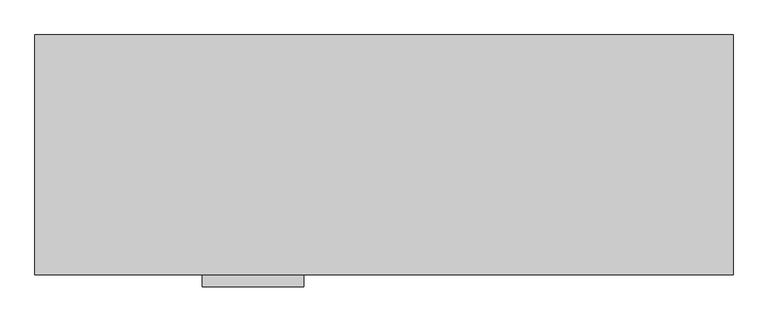
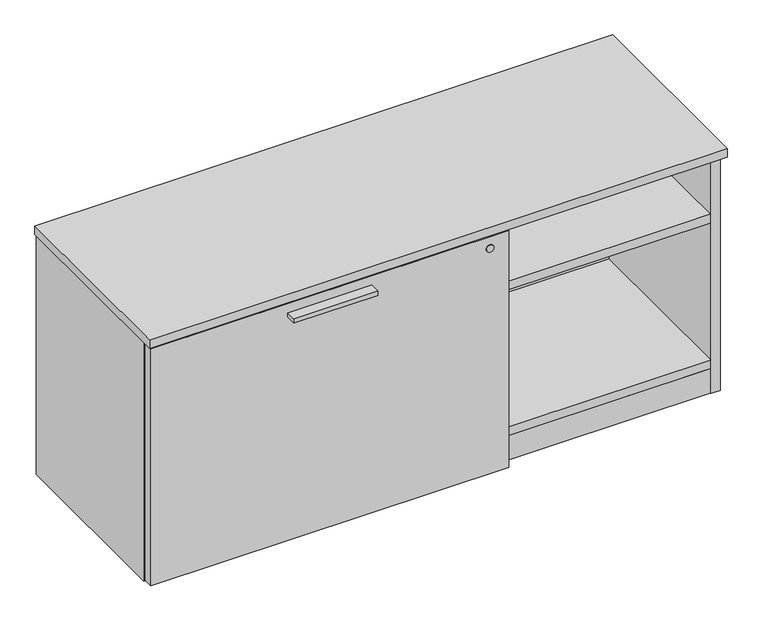
"""IFC4 building model written with IfcOpenShell, lengths in millimetres: furniture geometry."""

from ifc_helpers import new_model, si_unit, point, frame, frame_2d, origin, origin_with_axes, place, context, project, spatial, polyline, circle_curve, trimmed, segment, composite_curve, outline, extrude, source, transform, mapped, element, save


def furniture_5f225e72(model_context):
    return source(origin(), model_context, "Body", "SweptSolid", [
        extrude(outline(polyline([(469.8365, -447.8158592), (292.0365, -447.8158592), (292.0365, -425.5908592), (469.8365, -425.5908592), (469.8365, -447.8158592)])), frame((0.0, 0.0, 506.1508939), z_axis=(0.0, 0.0, 1.0), x_axis=(1.0, 0.0, 0.0)), (0.0, 0.0, 1.0), 9.525),
        extrude(outline(polyline([(1156.8692022, -345.6355984), (1172.81706, -336.4280984), (1188.7649178, -345.6355984), (1188.7649178, -364.0505984), (1172.81706, -373.2580984), (1156.8692022, -364.0505984), (1156.8692022, -345.6355984)])), origin_with_axes(), (0.0, 0.0, 1.0), 9.144),
        extrude(outline(polyline([(1156.8692022, -47.1181713), (1172.81706, -37.9106713), (1188.7649178, -47.1181713), (1188.7649178, -65.5331713), (1172.81706, -74.7406713), (1156.8692022, -65.5331713), (1156.8692022, -47.1181713)])), origin_with_axes(), (0.0, 0.0, 1.0), 9.144),
        extrude(outline(polyline([(30.4350822, -345.6355984), (46.38294, -336.4280984), (62.3307978, -345.6355984), (62.3307978, -364.0505984), (46.38294, -373.2580984), (30.4350822, -364.0505984), (30.4350822, -345.6355984)])), origin_with_axes(), (0.0, 0.0, 1.0), 9.144),
        extrude(outline(polyline([(30.4350822, -47.1181713), (46.38294, -37.9106713), (62.3307978, -47.1181713), (62.3307978, -65.5331713), (46.38294, -74.7406713), (30.4350822, -65.5331713), (30.4350822, -47.1181713)])), origin_with_axes(), (0.0, 0.0, 1.0), 9.144),
        extrude(outline(polyline([(1198.3085154, -401.5878548), (20.8915005, -401.5878548), (20.8915005, -382.2838548), (1198.3085154, -382.2838548), (1198.3085154, -401.5878548)])), frame((0.0, 0.0, 4.699), z_axis=(0.0, 0.0, 1.0), x_axis=(1.0, 0.0, 0.0)), (0.0, 0.0, 1.0), 55.56758),
        extrude(outline(polyline([(3.175, -406.2868776), (758.698, -406.2868776), (758.698, -425.5908592), (3.175, -425.5908592), (3.175, -406.2868776)])), frame((0.0, 0.0, 7.874), z_axis=(0.0, 0.0, 1.0), x_axis=(1.0, 0.0, 0.0)), (0.0, 0.0, 1.0), 528.4393939),
        extrude(outline(polyline([(1198.3085154, -30.4938704), (1198.3085154, -402.7308447), (20.8915005, -402.7308447), (20.8915005, -30.4938704), (1198.3085154, -30.4938704)])), frame((0.0, 0.0, 520.1843787), z_axis=(0.0, 0.0, 1.0), x_axis=(1.0, 0.0, 0.0)), (0.0, 0.0, 1.0), 19.304),
        extrude(outline(polyline([(760.2855, -30.4938704), (760.2855, -401.5878548), (740.9815, -401.5878548), (740.9815, -30.4938704), (760.2855, -30.4938704)])), frame((0.0, 0.0, 79.57058), z_axis=(0.0, 0.0, 1.0), x_axis=(1.0, 0.0, 0.0)), (0.0, 0.0, 1.0), 440.6137987),
        extrude(outline(polyline([(1198.3085, -30.4938704), (1198.3085, -400.8258374), (760.2855, -400.8258374), (760.2855, -30.4938704), (1198.3085, -30.4938704)])), frame((0.0, 0.0, 384.3705787), z_axis=(0.0, 0.0, 1.0), x_axis=(1.0, 0.0, 0.0)), (0.0, 0.0, 1.0), 19.304),
        extrude(outline(polyline([(1219.2, -8.0783713), (1219.2, -427.1783713), (0.0, -427.1783713), (0.0, -8.0783713), (1219.2, -8.0783713)])), frame((0.0, 0.0, 539.4883818), z_axis=(0.0, 0.0, 1.0), x_axis=(1.0, 0.0, 0.0)), (0.0, 0.0, 1.0), 19.0499969),
        extrude(outline(polyline([(1198.3085154, -30.4938704), (1198.3085154, -402.7308447), (20.8915005, -402.7308447), (20.8915005, -30.4938704), (1198.3085154, -30.4938704)])), frame((0.0, 0.0, 60.26658), z_axis=(0.0, 0.0, 1.0), x_axis=(1.0, 0.0, 0.0)), (0.0, 0.0, 1.0), 19.304),
        extrude(outline(polyline([(1198.3085154, -11.1898712), (1198.3085154, -30.4938704), (20.8915005, -30.4938704), (20.8915005, -11.1898712), (1198.3085154, -11.1898712)])), frame((0.0, 0.0, 4.699), z_axis=(0.0, 0.0, 1.0), x_axis=(1.0, 0.0, 0.0)), (0.0, 0.0, 1.0), 534.7893787),
        extrude(outline(polyline([(20.8915005, -9.6658713), (20.8915005, -403.1118534), (1.5875, -403.1118534), (1.5875, -9.6658713), (20.8915005, -9.6658713)])), frame((0.0, 0.0, 4.699), z_axis=(0.0, 0.0, 1.0), x_axis=(1.0, 0.0, 0.0)), (0.0, 0.0, 1.0), 534.7893787),
        extrude(outline(polyline([(1198.3085154, -9.6658713), (1217.6125158, -9.6658713), (1217.6125158, -403.1118534), (1198.3085154, -403.1118534), (1198.3085154, -9.6658713)])), frame((0.0, 0.0, 4.699), z_axis=(0.0, 0.0, 1.0), x_axis=(1.0, 0.0, 0.0)), (0.0, 0.0, 1.0), 534.7893787),
        extrude(outline(composite_curve([segment(trimmed(circle_curve(frame_2d((510.9133939, 718.693)), 8.001), [point((510.9133939, 726.694))], [point((510.9133939, 710.692))], False, "CARTESIAN"), True, "CONTINUOUS"), segment(trimmed(circle_curve(frame_2d((510.9133939, 718.693)), 8.001), [point((510.9133939, 710.692))], [point((510.9133939, 726.694))], False, "CARTESIAN"), True, "CONTINUOUS")], self_intersect=False)), frame((0.0, -427.1783713, 0.0), z_axis=(0.0, 1.0, 0.0), x_axis=(0.0, 0.0, 1.0)), (0.0, 0.0, 1.0), 1.5875121),
    ])


if __name__ == "__main__":
    model = new_model("IFC4")
    model_context = context("Model", 3, world=origin())
    ifc_project = project(units=[si_unit("LENGTHUNIT", "METRE", prefix="MILLI")], contexts=[model_context])
    site = spatial("IfcSite", under=ifc_project)
    building = spatial("IfcBuilding", under=site)
    placement = place(None, origin())
    furniture_shape = furniture_5f225e72(model_context)
    element("IfcFurniture", 1, at=placement, inside=building, context=model_context, shape_type="MappedRepresentation", body=[
        mapped(furniture_shape, transform((0.0, 0.0, 0.0), x_axis=(1.0, 0.0, 0.0), y_axis=(0.0, 1.0, 0.0), z_axis=(0.0, 0.0, 1.0))),
    ])
    save(model, "model.ifc")
